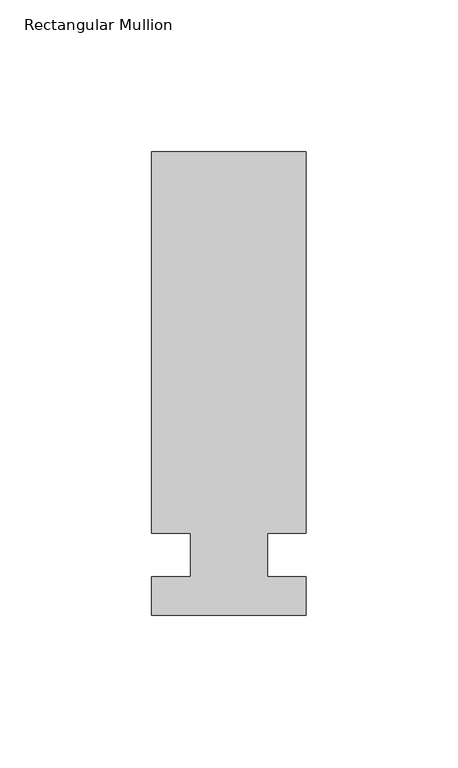
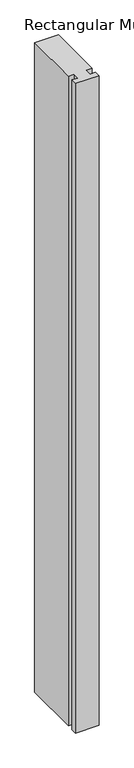
"""IFC4 building model written with IfcOpenShell, lengths in millimetres: member geometry, Rectangular Mullion."""

from ifc_helpers import new_model, si_unit, frame, origin, place, context, project, spatial, polyline, outline, extrude, source, transform, mapped, element, save


def rectangular_mullion_600511ff(model_context):
    return source(origin(), model_context, "Body", "SweptSolid", [
        extrude(outline(polyline([(29.7344027, 132.55625), (29.7344027, 7.14375), (17.0326322, 7.14375), (17.0326322, -7.14375), (29.7344027, -7.14375), (29.7344027, -19.84375), (-21.0655973, -19.84375), (-21.0655973, -7.14375), (-8.3655973, -7.14375), (-8.3655973, 7.14375), (-21.0655973, 7.14375), (-21.0655973, 132.55625), (29.7344027, 132.55625)])), frame((0.0, 0.0, -1478.28), z_axis=(0.0, 0.0, 1.0), x_axis=(1.0, 0.0, 0.0)), (0.0, 0.0, 1.0), 1478.28),
    ])


if __name__ == "__main__":
    model = new_model("IFC4")
    model_context = context("Model", 3, world=origin())
    ifc_project = project(units=[si_unit("LENGTHUNIT", "METRE", prefix="MILLI")], contexts=[model_context])
    site = spatial("IfcSite", under=ifc_project)
    building = spatial("IfcBuilding", under=site)
    placement = place(None, origin())
    rectangular_mullion_shape = rectangular_mullion_600511ff(model_context)
    element("IfcMember", 1, ObjectType="Rectangular Mullion", at=placement, inside=building, context=model_context, shape_type="MappedRepresentation", body=[
        mapped(rectangular_mullion_shape, transform((0.0, 0.0, 0.0), x_axis=(1.0, 0.0, 0.0), y_axis=(0.0, 1.0, 0.0), z_axis=(0.0, 0.0, 1.0))),
    ])
    save(model, "model.ifc")
